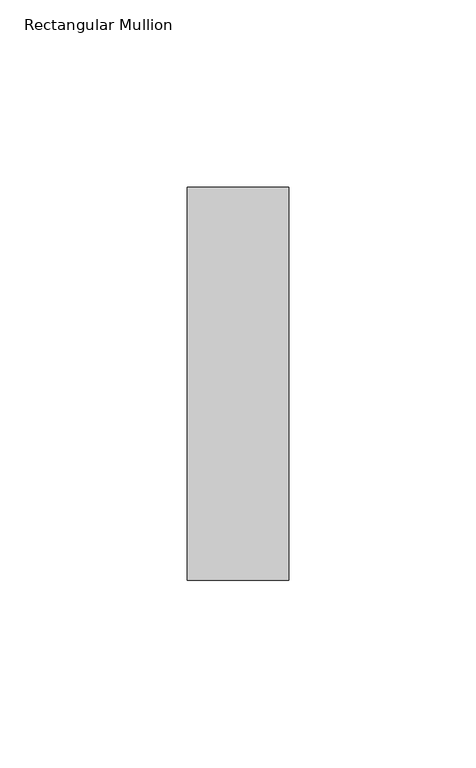
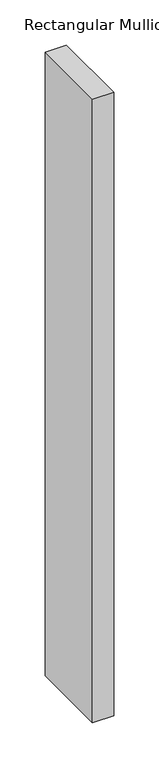
"""IFC4 building model written with IfcOpenShell, lengths in millimetres: member geometry, Rectangular Mullion."""

from ifc_helpers import new_model, si_unit, frame, origin, place, context, project, spatial, polyline, outline, extrude, source, transform, mapped, element, save


def rectangular_mullion_aa86396e(model_context):
    return source(origin(), model_context, "Body", "SweptSolid", [
        extrude(outline(polyline([(-27.0, 52.3975), (0.0, 52.3975), (0.0, -52.3975), (-27.0, -52.3975), (-27.0, 52.3975)])), frame((0.0, 0.0, -842.8333333), z_axis=(0.0, 0.0, 1.0), x_axis=(1.0, 0.0, 0.0)), (0.0, 0.0, 1.0), 842.8333333),
    ])


if __name__ == "__main__":
    model = new_model("IFC4")
    model_context = context("Model", 3, world=origin())
    ifc_project = project(units=[si_unit("LENGTHUNIT", "METRE", prefix="MILLI")], contexts=[model_context])
    site = spatial("IfcSite", under=ifc_project)
    building = spatial("IfcBuilding", under=site)
    placement = place(None, origin())
    rectangular_mullion_shape = rectangular_mullion_aa86396e(model_context)
    element("IfcMember", 1, ObjectType="Rectangular Mullion", at=placement, inside=building, context=model_context, shape_type="MappedRepresentation", body=[
        mapped(rectangular_mullion_shape, transform((0.0, 0.0, 0.0), x_axis=(1.0, 0.0, 0.0), y_axis=(0.0, 1.0, 0.0), z_axis=(0.0, 0.0, 1.0))),
    ])
    save(model, "model.ifc")
